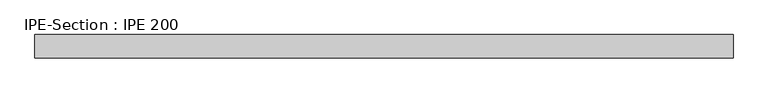
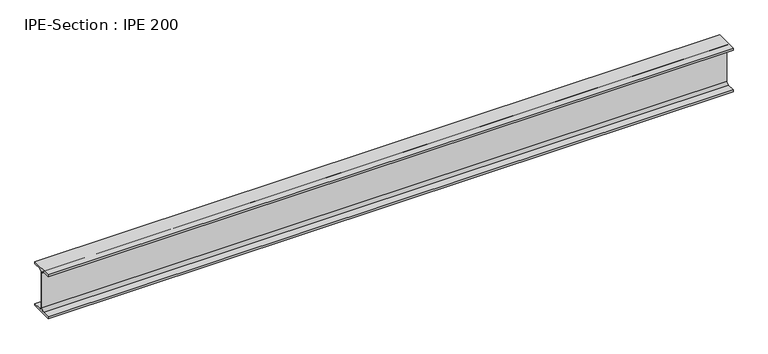
"""IFC4 building model written with IfcOpenShell, lengths in millimetres: beam geometry, IPE-Section : IPE 200."""

from ifc_helpers import new_model, si_unit, point, frame, frame_2d, origin, place, context, project, spatial, polyline, circle_curve, trimmed, segment, composite_curve, outline, extrude, source, transform, mapped, element, save


def ipe_section_ipe_200_6eafef3e(model_context):
    return source(origin(), model_context, "Body", "SweptSolid", [
        extrude(outline(composite_curve([segment(polyline([(50.0, -91.5), (50.0, -100.0), (-50.0, -100.0), (-50.0, -91.5), (-14.8, -91.5)]), True, "CONTINUOUS"), segment(trimmed(circle_curve(frame_2d((-14.8, -79.5)), 12.0), [point((-14.8, -91.5))], [point((-2.8, -79.5))], True, "CARTESIAN"), True, "CONTINUOUS"), segment(polyline([(-2.8, -79.5), (-2.8, 79.5)]), True, "CONTINUOUS"), segment(trimmed(circle_curve(frame_2d((-14.8, 79.5)), 12.0), [point((-2.8, 79.5))], [point((-14.8, 91.5))], True, "CARTESIAN"), True, "CONTINUOUS"), segment(polyline([(-14.8, 91.5), (-50.0, 91.5), (-50.0, 100.0), (50.0, 100.0), (50.0, 91.5), (14.8, 91.5)]), True, "CONTINUOUS"), segment(trimmed(circle_curve(frame_2d((14.8, 79.5)), 12.0), [point((14.8, 91.5))], [point((2.8, 79.5))], True, "CARTESIAN"), True, "CONTINUOUS"), segment(polyline([(2.8, 79.5), (2.8, -79.5)]), True, "CONTINUOUS"), segment(trimmed(circle_curve(frame_2d((14.8, -79.5)), 12.0), [point((2.8, -79.5))], [point((14.8, -91.5))], True, "CARTESIAN"), True, "CONTINUOUS"), segment(polyline([(14.8, -91.5), (50.0, -91.5)]), True, "CONTINUOUS")], self_intersect=False)), frame((-1489.8854672, 0.0, 0.0), z_axis=(1.0, 0.0, 0.0), x_axis=(0.0, 1.0, 0.0)), (0.0, 0.0, 1.0), 2966.0592494),
    ])


if __name__ == "__main__":
    model = new_model("IFC4")
    model_context = context("Model", 3, world=origin())
    ifc_project = project(units=[si_unit("LENGTHUNIT", "METRE", prefix="MILLI")], contexts=[model_context])
    site = spatial("IfcSite", under=ifc_project)
    building = spatial("IfcBuilding", under=site)
    placement = place(None, origin())
    ipe_section_ipe_200_shape = ipe_section_ipe_200_6eafef3e(model_context)
    element("IfcBeam", 1, ObjectType="IPE-Section : IPE 200", at=placement, inside=building, context=model_context, shape_type="MappedRepresentation", body=[
        mapped(ipe_section_ipe_200_shape, transform((0.0, 0.0, 0.0), x_axis=(1.0, 0.0, 0.0), y_axis=(0.0, 1.0, 0.0), z_axis=(0.0, 0.0, 1.0))),
    ])
    save(model, "model.ifc")
